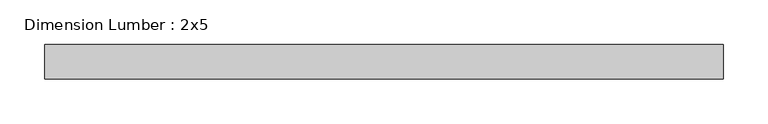
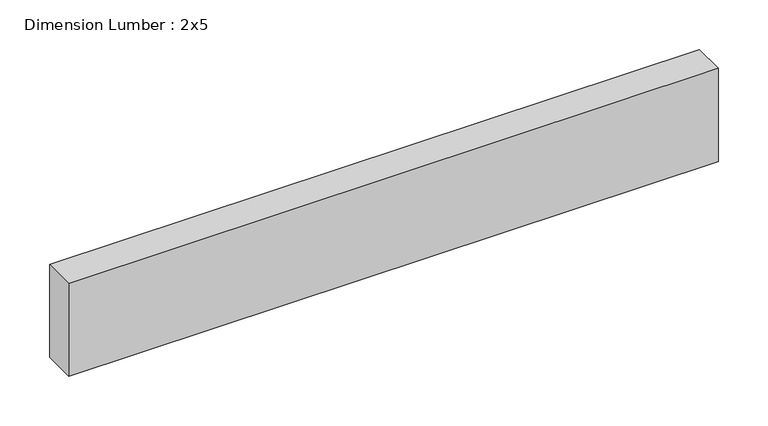
"""IFC4 building model written with IfcOpenShell, lengths in millimetres: beam geometry, Dimension Lumber : 2x5."""

from ifc_helpers import new_model, si_unit, frame, origin, place, context, project, spatial, polyline, outline, extrude, source, transform, mapped, element, save


def dimension_lumber_2x5_18e80a4f(model_context):
    return source(origin(), model_context, "Body", "SweptSolid", [
        extrude(outline(polyline([(377.5035934, 19.05), (377.5035934, -19.05), (-377.5035934, -19.05), (-377.5035934, 19.05), (377.5035934, 19.05)])), frame((0.0, 0.0, -57.15), z_axis=(0.0, 0.0, 1.0), x_axis=(1.0, 0.0, 0.0)), (0.0, 0.0, 1.0), 114.3),
    ])


if __name__ == "__main__":
    model = new_model("IFC4")
    model_context = context("Model", 3, world=origin())
    ifc_project = project(units=[si_unit("LENGTHUNIT", "METRE", prefix="MILLI")], contexts=[model_context])
    site = spatial("IfcSite", under=ifc_project)
    building = spatial("IfcBuilding", under=site)
    placement = place(None, origin())
    dimension_lumber_2x5_shape = dimension_lumber_2x5_18e80a4f(model_context)
    element("IfcBeam", 1, ObjectType="Dimension Lumber : 2x5", at=placement, inside=building, context=model_context, shape_type="MappedRepresentation", body=[
        mapped(dimension_lumber_2x5_shape, transform((0.0, 0.0, 0.0), x_axis=(1.0, 0.0, 0.0), y_axis=(0.0, 1.0, 0.0), z_axis=(0.0, 0.0, 1.0))),
    ])
    save(model, "model.ifc")
